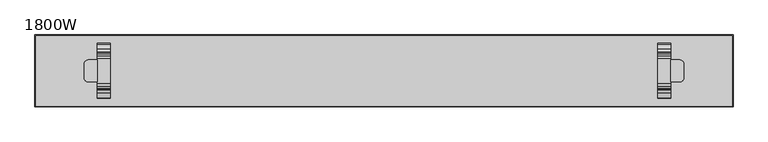
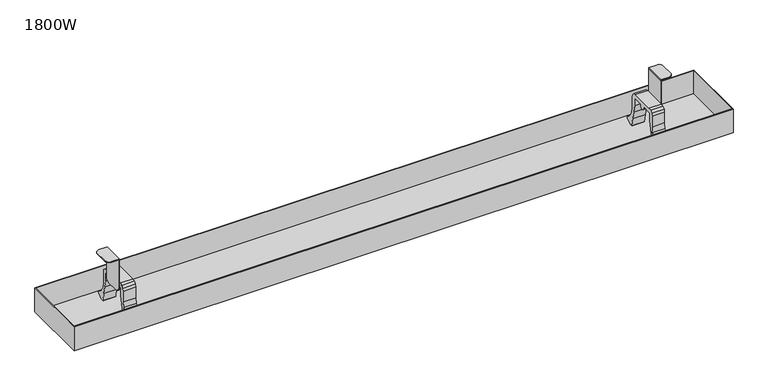
"""IFC4 building model written with IfcOpenShell, lengths in millimetres: furniture geometry, 1800W."""

import ifcopenshell
import ifcopenshell.guid

model = None  # the IFC model being written
_history = None  # IfcOwnerHistory: only IFC2X3 demands one
_inside = {}  # id of a spatial element -> (the spatial element, [elements in it])
_under = {}  # id of a project, library or spatial element -> (it, [spatial elements below it])
_declared = {}  # id of a project -> (the project, [libraries it declares])
_typed = {}  # id of a type object -> (the type object, [elements of that type])
_made_of = {}  # id of a material, layer set ... -> (it, [elements and type objects made of it])


def new_model(schema):
    """Start an empty IFC model of exactly this schema.

    Asked for "IFC4X3", IfcOpenShell would pick the latest addendum, in which some entities
    have other attributes; the version numbers below select the first issue.
    IFC2X3 requires an IfcOwnerHistory on every rooted entity: one is made here for all.
    """
    global model, _history
    if schema == "IFC4X3":
        model = ifcopenshell.file(schema_version=(4, 3, 0, 0))
    else:
        model = ifcopenshell.file(schema=schema)
    _inside.clear()
    _under.clear()
    _declared.clear()
    _typed.clear()
    _made_of.clear()
    _history = None
    if model.schema == "IFC2X3":
        org = make("IfcOrganization", Name="unknown")
        user = make(
            "IfcPersonAndOrganization",
            ThePerson=make("IfcPerson", FamilyName="unknown"),
            TheOrganization=org,
        )
        app = make(
            "IfcApplication",
            ApplicationDeveloper=org,
            Version="unknown",
            ApplicationFullName="unknown",
            ApplicationIdentifier="unknown",
        )
        _history = make(
            "IfcOwnerHistory",
            OwningUser=user,
            OwningApplication=app,
            ChangeAction="ADDED",
            CreationDate=0,
        )
    return model


def make(cls, **values):
    """One entity of the class cls with the attributes given. An attribute that is None is left unset."""
    return model.create_entity(
        cls, **{name: value for name, value in values.items() if value is not None}
    )


def rooted(cls, **values):
    """An entity with a GlobalId (a new one), such as an element, a storey or a relation."""
    return make(cls, GlobalId=ifcopenshell.guid.new(), OwnerHistory=_history, **values)


def si_unit(unit_type, name, prefix=None):
    """IfcSIUnit, for example si_unit("LENGTHUNIT", "METRE", prefix="MILLI")."""
    return make("IfcSIUnit", UnitType=unit_type, Prefix=prefix, Name=name)


def assignment(units):
    """IfcUnitAssignment: the units of a project."""
    return None if units is None else make("IfcUnitAssignment", Units=units)


def point(xyz):
    """IfcCartesianPoint."""
    return None if xyz is None else make("IfcCartesianPoint", Coordinates=xyz)


def direction(xyz):
    """IfcDirection."""
    return None if xyz is None else make("IfcDirection", DirectionRatios=xyz)


def frame(location, z_axis=None, x_axis=None):
    """IfcAxis2Placement3D, a coordinate frame: its origin and axes. An axis left out is left unset."""
    return make(
        "IfcAxis2Placement3D",
        Location=point(location),
        Axis=direction(z_axis),
        RefDirection=direction(x_axis),
    )


def frame_2d(location, x_axis=None):
    """IfcAxis2Placement2D, a coordinate frame in the plane: its origin and x axis."""
    return make(
        "IfcAxis2Placement2D", Location=point(location), RefDirection=direction(x_axis)
    )


def origin():
    """The frame at (0, 0, 0) with its axes left unset."""
    return frame((0.0, 0.0, 0.0))


def place(relative_to, where):
    """IfcLocalPlacement: puts the frame where relative to a parent placement (None: the world)."""
    return make(
        "IfcLocalPlacement", PlacementRelTo=relative_to, RelativePlacement=where
    )


def context(
    kind, dimensions, precision=None, world=None, true_north=None, identifier=None
):
    """IfcGeometricRepresentationContext, for example the 3D "Model" context."""
    return make(
        "IfcGeometricRepresentationContext",
        ContextIdentifier=identifier,
        ContextType=kind,
        CoordinateSpaceDimension=dimensions,
        Precision=precision,
        WorldCoordinateSystem=world,
        TrueNorth=true_north,
    )


def project(units=None, contexts=None):
    """IfcProject with its units and contexts."""
    return rooted(
        "IfcProject",
        Name="project",
        RepresentationContexts=contexts,
        UnitsInContext=assignment(units),
    )


def spatial(cls, under=None, at=None, **own):
    """A site, building, storey or space (cls), placed at a placement, below another one or the project."""
    s = rooted(cls, ObjectPlacement=at, **own)
    if under is not None:
        _under.setdefault(under.id(), (under, []))[1].append(s)
    return s


def polyline(points):
    """IfcPolyline through the points."""
    return make("IfcPolyline", Points=[point(p) for p in points])


def circle_curve(where, radius):
    """IfcCircle in the frame where."""
    return make("IfcCircle", Position=where, Radius=radius)


def trimmed(basis, trim1, trim2, sense, master):
    """IfcTrimmedCurve: the piece of a basis curve between two trims."""
    return make(
        "IfcTrimmedCurve",
        BasisCurve=basis,
        Trim1=trim1,
        Trim2=trim2,
        SenseAgreement=sense,
        MasterRepresentation=master,
    )


def segment(curve, same_sense, transition):
    """IfcCompositeCurveSegment."""
    return make(
        "IfcCompositeCurveSegment",
        Transition=transition,
        SameSense=same_sense,
        ParentCurve=curve,
    )


def composite_curve(segments, self_intersect=None):
    """IfcCompositeCurve: segments joined end to end."""
    return make("IfcCompositeCurve", Segments=segments, SelfIntersect=self_intersect)


def outline(outer, holes=None, kind="AREA"):
    """IfcArbitraryClosedProfileDef: a profile drawn as a closed curve; with holes, ...WithVoids."""
    if holes is None:
        return make("IfcArbitraryClosedProfileDef", ProfileType=kind, OuterCurve=outer)
    return make(
        "IfcArbitraryProfileDefWithVoids",
        ProfileType=kind,
        OuterCurve=outer,
        InnerCurves=holes,
    )


def extrude(swept, where, along, depth):
    """IfcExtrudedAreaSolid: the profile swept, set in the frame where, extruded along a direction by depth."""
    return make(
        "IfcExtrudedAreaSolid",
        SweptArea=swept,
        Position=where,
        ExtrudedDirection=direction(along),
        Depth=depth,
    )


def faces_of(points, faces, orient=None, outer=None):
    """IfcFace entities. A face is a list of loops; a loop is a list of indices into points, from 0.

    orient and outer hold one flag for each loop. By default every Orientation is true, the
    first loop of a face is its IfcFaceOuterBound and the others are IfcFaceBound.
    """
    made = []
    for i, loops in enumerate(faces):
        bounds = []
        for j, loop in enumerate(loops):
            is_outer = j == 0 if outer is None else outer[i][j]
            bounds.append(
                make(
                    "IfcFaceOuterBound" if is_outer else "IfcFaceBound",
                    Bound=make("IfcPolyLoop", Polygon=[points[k] for k in loop]),
                    Orientation=True if orient is None else orient[i][j],
                )
            )
        made.append(make("IfcFace", Bounds=bounds))
    return made


def faceted_brep(points, faces, orient=None, outer=None, voids=None):
    """IfcFacetedBrep: a solid bounded by flat faces; with voids (closed shells), ...WithVoids."""
    shared = [point(p) for p in points]
    hull = make("IfcClosedShell", CfsFaces=faces_of(shared, faces, orient, outer))
    if voids is None:
        return make("IfcFacetedBrep", Outer=hull)
    return make(
        "IfcFacetedBrepWithVoids",
        Outer=hull,
        Voids=[
            make(cls, CfsFaces=faces_of(shared, fs, o, b)) for cls, fs, o, b in voids
        ],
    )


def shape(context_of_items, identifier, shape_type, items):
    """IfcShapeRepresentation: the items that make up one representation, for example the "Body"."""
    return make(
        "IfcShapeRepresentation",
        ContextOfItems=context_of_items,
        RepresentationIdentifier=identifier,
        RepresentationType=shape_type,
        Items=items,
    )


def source(mapping_origin, context_of_items, identifier, shape_type, items):
    """IfcRepresentationMap: a shape defined once, which mapped items show again and again."""
    return make(
        "IfcRepresentationMap",
        MappingOrigin=mapping_origin,
        MappedRepresentation=shape(context_of_items, identifier, shape_type, items),
    )


def transform(
    local_origin,
    x_axis=None,
    y_axis=None,
    z_axis=None,
    scale=None,
    scale2=None,
    scale3=None,
    uniform=True,
):
    """IfcCartesianTransformationOperator3D, or its non-uniform kind. x_axis, y_axis, z_axis: its Axis1, 2, 3."""
    if uniform:
        return make(
            "IfcCartesianTransformationOperator3D",
            Axis1=direction(x_axis),
            Axis2=direction(y_axis),
            LocalOrigin=point(local_origin),
            Scale=scale,
            Axis3=direction(z_axis),
        )
    return make(
        "IfcCartesianTransformationOperator3DnonUniform",
        Axis1=direction(x_axis),
        Axis2=direction(y_axis),
        LocalOrigin=point(local_origin),
        Scale=scale,
        Axis3=direction(z_axis),
        Scale2=scale2,
        Scale3=scale3,
    )


def mapped(mapping_source, mapping_target):
    """IfcMappedItem: shows the shape of a source again, moved by a transform."""
    return make(
        "IfcMappedItem", MappingSource=mapping_source, MappingTarget=mapping_target
    )


def made_of(thing, what):
    """Note that an element or type object is made of a material, layer set ...; save() writes the relation."""
    if what is not None:
        _made_of.setdefault(what.id(), (what, []))[1].append(thing)
    return thing


def element(
    cls,
    number,
    at=None,
    inside=None,
    cuts=None,
    type_object=None,
    material=None,
    context=None,
    identifier="Body",
    shape_type=None,
    held_by="IfcProductDefinitionShape",
    body=None,
    shapes=None,
    **own,
):
    """One element of the class cls, such as IfcWall. Its Tag is "e" and its number.

    at: its placement. inside: the storey or other place that contains it. cuts: it is an
    opening in that element (IfcRelVoidsElement). A single representation is given by context,
    identifier, shape_type and body (its items); several are given by shapes. held_by: the class
    of the entity that holds the representations. save() writes the other relations.
    """
    e = rooted(cls, Tag="e%d" % number, ObjectPlacement=at, **own)
    if body is not None:
        shapes = [shape(context, identifier, shape_type, body)]
    if shapes is not None:
        e.Representation = make(held_by, Representations=shapes)
    if inside is not None:
        _inside.setdefault(inside.id(), (inside, []))[1].append(e)
    if cuts is not None:
        rooted(
            "IfcRelVoidsElement", RelatingBuildingElement=cuts, RelatedOpeningElement=e
        )
    if type_object is not None:
        _typed.setdefault(type_object.id(), (type_object, []))[1].append(e)
    return made_of(e, material)


def aggregate(whole, parts):
    """IfcRelAggregates: a whole, such as a stair, and the parts it consists of."""
    return rooted("IfcRelAggregates", RelatingObject=whole, RelatedObjects=parts)


def save(model, path):
    """Write the relations noted so far, then the file.

    IfcRelAggregates (storeys below a building ...), IfcRelContainedInSpatialStructure (elements
    in a storey), IfcRelDefinesByType, IfcRelAssociatesMaterial and IfcRelDeclares: one each for
    every whole, place, type object, material and project.
    """
    for whole, parts in _under.values():
        aggregate(whole, parts)
    for where, things in _inside.values():
        rooted(
            "IfcRelContainedInSpatialStructure",
            RelatedElements=things,
            RelatingStructure=where,
        )
    for kind, things in _typed.values():
        rooted("IfcRelDefinesByType", RelatedObjects=things, RelatingType=kind)
    for what, things in _made_of.values():
        rooted("IfcRelAssociatesMaterial", RelatedObjects=things, RelatingMaterial=what)
    for by, libraries in _declared.values():
        rooted("IfcRelDeclares", RelatingContext=by, RelatedDefinitions=libraries)
    model.write(path)


def plane_surface(at):
    """IfcPlane: the flat surface through the origin of the frame at, square to its z axis."""
    return make("IfcPlane", Position=at)


def cylinder_surface(at, radius):
    """IfcCylindricalSurface: all points at the distance radius from the z axis of the frame at."""
    return make("IfcCylindricalSurface", Position=at, Radius=radius)


def advanced_brep(points, edges, surfaces, faces):
    """IfcAdvancedBrep: a solid bounded by faces that lie on surfaces and meet in shared edges.

    An edge is (start, end): straight between two places in points (the first is 0);
    or (start, end, curve); or (start, end, curve, False) where it runs against its curve.
    A face is (place in surfaces, loops), or (place, loops, False) where it looks against
    its surface's normal. A loop lists edges by number (the first is 1), with a minus sign
    where the edge is run from its end to its start. The first loop is the outer one.
    """
    corners = [point(p) for p in points]
    vertices = [make("IfcVertexPoint", VertexGeometry=c) for c in corners]
    made = []
    for start, end, *more in edges:
        made.append(
            make(
                "IfcEdgeCurve",
                EdgeStart=vertices[start],
                EdgeEnd=vertices[end],
                EdgeGeometry=more[0] if more else make("IfcPolyline", Points=[corners[start], corners[end]]),
                SameSense=more[1] if len(more) > 1 else True,
            )
        )
    hull = []
    for where, loops, *sense in faces:
        bounds = []
        for j, loop in enumerate(loops):
            ring = [make("IfcOrientedEdge", EdgeElement=made[abs(k) - 1], Orientation=k > 0) for k in loop]
            bounds.append(
                make(
                    "IfcFaceOuterBound" if j == 0 else "IfcFaceBound",
                    Bound=make("IfcEdgeLoop", EdgeList=ring),
                    Orientation=True,
                )
            )
        hull.append(make("IfcAdvancedFace", Bounds=bounds, FaceSurface=surfaces[where], SameSense=sense[0] if sense else True))
    return make("IfcAdvancedBrep", Outer=make("IfcClosedShell", CfsFaces=hull))


def furniture_1800w_5940678c(model_context):
    return source(origin(), model_context, "Body", "SolidModel", [
        extrude(outline(composite_curve([segment(polyline([(28.25, 655.6089449), (34.75, 653.8672752), (39.5083302, 649.1089449), (41.25, 642.6089449), (41.25, 615.6089449), (42.9555126, 601.8121279), (49.9457921, 589.7956007), (61.0960118, 581.4929784), (62.5288578, 580.072514), (62.737976, 578.0657663), (61.6287805, 576.3804021), (49.988664, 567.6162242), (49.988664, 564.2297166), (51.9354374, 563.6484872), (53.2695938, 561.9968693), (53.406724, 559.8781409), (52.2966018, 558.0683222), (42.3770369, 549.4873279)]), True, "CONTINUOUS"), segment(trimmed(circle_curve(frame_2d((41.6448692, 550.1324462)), 0.9758316), [point((42.3770369, 549.4873279))], [point((40.6690514, 550.1272622))], False, "CARTESIAN"), True, "CONTINUOUS"), segment(polyline([(40.6690514, 550.1272622), (40.6597451, 551.8790344), (40.8692786, 553.618255), (41.2943712, 555.3176928), (41.9578918, 557.08863), (42.988664, 559.1689888), (42.988664, 567.673425), (39.9005757, 587.3273398), (36.0103541, 606.457322), (31.25, 625.5024109), (31.25, 642.6089449), (30.8480762, 644.1089449), (29.75, 645.2070212), (28.25, 645.6089449), (5.75, 645.6089449), (5.75, 640.6089449), (4.6518477, 637.2291797), (1.7768477, 635.14037), (-1.7768477, 635.14037), (-4.6518477, 637.2291797), (-5.75, 640.6089449), (-5.75, 645.6089449), (-28.25, 645.6089449), (-29.75, 645.2070212), (-30.8480762, 644.1089449), (-31.25, 642.6089449), (-31.25, 625.5024109), (-36.0103541, 606.457322), (-39.9005757, 587.3273398), (-42.988664, 567.673425), (-42.988664, 559.1689888), (-41.9578918, 557.08863), (-41.2943712, 555.3176928), (-40.8692786, 553.618255), (-40.6597451, 551.8790344), (-40.6690514, 550.1272622)]), True, "CONTINUOUS"), segment(trimmed(circle_curve(frame_2d((-41.6448692, 550.1324462)), 0.9758316), [point((-40.6690514, 550.1272622))], [point((-42.3770369, 549.4873279))], False, "CARTESIAN"), True, "CONTINUOUS"), segment(polyline([(-42.3770369, 549.4873279), (-52.2966018, 558.0683222), (-53.406724, 559.8781409), (-53.2695938, 561.9968693), (-51.9354374, 563.6484872), (-49.988664, 564.2297166), (-49.988664, 567.6162242), (-61.6287805, 576.3804021), (-62.737976, 578.0657663), (-62.5288578, 580.072514), (-61.0960118, 581.4929784), (-49.9457921, 589.7956007), (-42.9555126, 601.8121279), (-41.25, 615.6089449), (-41.25, 642.6089449), (-39.5083302, 649.1089449), (-34.75, 653.8672752), (-28.25, 655.6089449), (28.25, 655.6089449)]), True, "CONTINUOUS")], self_intersect=False)), frame((623.0, 0.0, 0.0), z_axis=(1.0, 0.0, 0.0), x_axis=(0.0, 1.0, 0.0)), (0.0, 0.0, 1.0), 30.0),
        extrude(outline(composite_curve([segment(polyline([(28.25, 655.6089449), (34.75, 653.8672752), (39.5083302, 649.1089449), (41.25, 642.6089449), (41.25, 615.6089449), (42.9555126, 601.8121279), (49.9457921, 589.7956007), (61.0960118, 581.4929784), (62.5288578, 580.072514), (62.737976, 578.0657663), (61.6287805, 576.3804021), (49.988664, 567.6162242), (49.988664, 564.2297166), (51.9354374, 563.6484872), (53.2695938, 561.9968693), (53.406724, 559.8781409), (52.2966018, 558.0683222), (42.3770369, 549.4873279)]), True, "CONTINUOUS"), segment(trimmed(circle_curve(frame_2d((41.6448692, 550.1324462)), 0.9758316), [point((42.3770369, 549.4873279))], [point((40.6690514, 550.1272622))], False, "CARTESIAN"), True, "CONTINUOUS"), segment(polyline([(40.6690514, 550.1272622), (40.6597451, 551.8790344), (40.8692786, 553.618255), (41.2943712, 555.3176928), (41.9578918, 557.08863), (42.988664, 559.1689888), (42.988664, 567.673425), (39.9005757, 587.3273398), (36.0103541, 606.457322), (31.25, 625.5024109), (31.25, 642.6089449), (30.8480762, 644.1089449), (29.75, 645.2070212), (28.25, 645.6089449), (5.75, 645.6089449), (5.75, 640.6089449), (4.6518477, 637.2291797), (1.7768477, 635.14037), (-1.7768477, 635.14037), (-4.6518477, 637.2291797), (-5.75, 640.6089449), (-5.75, 645.6089449), (-28.25, 645.6089449), (-29.75, 645.2070212), (-30.8480762, 644.1089449), (-31.25, 642.6089449), (-31.25, 625.5024109), (-36.0103541, 606.457322), (-39.9005757, 587.3273398), (-42.988664, 567.673425), (-42.988664, 559.1689888), (-41.9578918, 557.08863), (-41.2943712, 555.3176928), (-40.8692786, 553.618255), (-40.6597451, 551.8790344), (-40.6690514, 550.1272622)]), True, "CONTINUOUS"), segment(trimmed(circle_curve(frame_2d((-41.6448692, 550.1324462)), 0.9758316), [point((-40.6690514, 550.1272622))], [point((-42.3770369, 549.4873279))], False, "CARTESIAN"), True, "CONTINUOUS"), segment(polyline([(-42.3770369, 549.4873279), (-52.2966018, 558.0683222), (-53.406724, 559.8781409), (-53.2695938, 561.9968693), (-51.9354374, 563.6484872), (-49.988664, 564.2297166), (-49.988664, 567.6162242), (-61.6287805, 576.3804021), (-62.737976, 578.0657663), (-62.5288578, 580.072514), (-61.0960118, 581.4929784), (-49.9457921, 589.7956007), (-42.9555126, 601.8121279), (-41.25, 615.6089449), (-41.25, 642.6089449), (-39.5083302, 649.1089449), (-34.75, 653.8672752), (-28.25, 655.6089449), (28.25, 655.6089449)]), True, "CONTINUOUS")], self_intersect=False)), frame((-653.0, 0.0, 0.0), z_axis=(1.0, 0.0, 0.0), x_axis=(0.0, 1.0, 0.0)), (0.0, 0.0, 1.0), 30.0),
        faceted_brep([(793.0, 80.0, 567.0), (-793.0, 80.0, 567.0), (-793.0, -80.0, 567.0), (793.0, -80.0, 567.0), (793.0, 80.0, 626.0), (-793.0, 80.0, 626.0), (-793.0, -80.0, 626.0), (793.0, -80.0, 626.0), (795.0, -82.0, 626.0), (795.0, 82.0, 626.0), (-795.0, 82.0, 626.0), (-795.0, -82.0, 626.0), (795.0, -82.0, 565.0), (-795.0, -82.0, 565.0), (-795.0, 82.0, 565.0), (795.0, 82.0, 565.0)], [[[0, 1, 2, 3]], [[1, 0, 4, 5]], [[2, 1, 5, 6]], [[3, 2, 6, 7]], [[0, 3, 7, 4]], [[8, 9, 10, 11], [5, 4, 7, 6]], [[12, 13, 14, 15]], [[9, 8, 12, 15]], [[10, 9, 15, 14]], [[11, 10, 14, 13]], [[8, 11, 13, 12]]]),
        extrude(outline(composite_curve([segment(trimmed(circle_curve(frame_2d((673.0, 14.9999998)), 10.0), [point((673.0, 24.9999998))], [point((683.0, 14.9999998))], False, "CARTESIAN"), True, "CONTINUOUS"), segment(polyline([(683.0, 14.9999998), (683.0, -15.0000002)]), True, "CONTINUOUS"), segment(trimmed(circle_curve(frame_2d((673.0, -15.0000002)), 10.0), [point((683.0, -15.0000002))], [point((673.0, -25.0000002))], False, "CARTESIAN"), True, "CONTINUOUS"), segment(polyline([(673.0, -25.0000002), (653.0, -25.0000002), (653.0, 24.9999998), (673.0, 24.9999998)]), True, "CONTINUOUS")], self_intersect=False)), frame((0.0, 0.0, 713.6089449), z_axis=(0.0, 0.0, 1.0), x_axis=(1.0, 0.0, 0.0)), (0.0, 0.0, 1.0), 2.0),
        extrude(outline(polyline([(24.9999998, 640.6089449), (23.6602538, 635.6089449), (19.9999998, 631.9486909), (14.9999998, 630.6089449), (-15.0000002, 630.6089449), (-20.0000002, 631.9486909), (-23.6602542, 635.6089449), (-25.0000002, 640.6089449), (-25.0000002, 715.6089449), (24.9999998, 715.6089449), (24.9999998, 640.6089449)])), frame((653.0, 0.0, 0.0), z_axis=(1.0, 0.0, 0.0), x_axis=(0.0, 1.0, 0.0)), (0.0, 0.0, 1.0), 2.0),
        advanced_brep(
        [(-653.0, 24.9999998, 715.6089449), (-673.0, 24.9999998, 715.6089449), (-683.0, 14.9999998, 715.6089449), (-683.0, -15.0000002, 715.6089449), (-673.0, -25.0000002, 715.6089449), (-653.0, -25.0000002, 715.6089449), (-673.0, -25.0000002, 713.6089449), (-683.0, -15.0000002, 713.6089449), (-683.0, 14.9999998, 713.6089449), (-673.0, 24.9999998, 713.6089449), (-655.0, 24.9999998, 713.6089449), (-655.0, -25.0000002, 713.6089449), (-655.0, -25.0000002, 640.6089449), (-653.0, -25.0000002, 640.6089449), (-653.0, -23.6602542, 635.6089449), (-653.0, -20.0000002, 631.9486909), (-653.0, -15.0000002, 630.6089449), (-653.0, 14.9999998, 630.6089449), (-653.0, 19.9999998, 631.9486909), (-653.0, 23.6602538, 635.6089449), (-653.0, 24.9999998, 640.6089449), (-655.0, 24.9999998, 640.6089449), (-655.0, 23.6602538, 635.6089449), (-655.0, 19.9999998, 631.9486909), (-655.0, 14.9999998, 630.6089449), (-655.0, -15.0000002, 630.6089449), (-655.0, -20.0000002, 631.9486909), (-655.0, -23.6602542, 635.6089449)],
        [
            (0, 1),
            (1, 2, circle_curve(frame((-673.0, 14.9999998, 715.6089449), z_axis=(0.0, 0.0, 1.0), x_axis=(1.0, 0.0, 0.0)), 10.0)),
            (2, 3),
            (3, 4, circle_curve(frame((-673.0, -15.0000002, 715.6089449), z_axis=(0.0, 0.0, 1.0), x_axis=(1.0, 0.0, 0.0)), 10.0)),
            (4, 5),
            (5, 0),
            (6, 7, circle_curve(frame((-673.0, -15.0000002, 713.6089449), z_axis=(0.0, 0.0, -1.0), x_axis=(1.0, 0.0, 0.0)), 10.0)),
            (7, 8),
            (8, 9, circle_curve(frame((-673.0, 14.9999998, 713.6089449), z_axis=(0.0, 0.0, -1.0), x_axis=(1.0, 0.0, 0.0)), 10.0)),
            (9, 10),
            (10, 11),
            (11, 6),
            (2, 8),
            (7, 3),
            (4, 6),
            (11, 12),
            (12, 13),
            (13, 5),
            (13, 14),
            (14, 15),
            (15, 16),
            (16, 17),
            (17, 18),
            (18, 19),
            (19, 20),
            (20, 0),
            (20, 21),
            (21, 10),
            (9, 1),
            (21, 22),
            (22, 23),
            (23, 24),
            (24, 25),
            (25, 26),
            (26, 27),
            (27, 12),
            (27, 14),
            (26, 15),
            (25, 16),
            (24, 17),
            (23, 18),
            (22, 19),
        ],
        [
            plane_surface(frame((-663.0, 14.9999998, 715.6089449), z_axis=(0.0, 0.0, 1.0), x_axis=(0.0, 1.0, 0.0))),
            plane_surface(frame((-663.0, 14.9999998, 713.6089449), z_axis=(0.0, 0.0, -1.0), x_axis=(0.0, -1.0, 0.0))),
            plane_surface(frame((-683.0, 14.9999998, 715.6089449), z_axis=(-1.0, 0.0, 0.0), x_axis=(0.0, 0.0, -1.0))),
            plane_surface(frame((-673.0, -25.0000002, 715.6089449), z_axis=(0.0, -1.0, 0.0), x_axis=(0.0, 0.0, -1.0))),
            plane_surface(frame((-653.0, -25.0000002, 715.6089449), z_axis=(1.0, 0.0, 0.0), x_axis=(0.0, 0.0, -1.0))),
            plane_surface(frame((-653.0, 24.9999998, 715.6089449), z_axis=(0.0, 1.0, 0.0), x_axis=(0.0, 0.0, -1.0))),
            plane_surface(frame((-655.0, 24.9999998, 715.6089449), z_axis=(-1.0, 0.0, 0.0), x_axis=(0.0, 0.0, -1.0))),
            plane_surface(frame((-653.0, -25.0000002, 640.6089449), z_axis=(0.0, -0.9659258262890794, -0.25881904510247955), x_axis=(-1.0, 0.0, 0.0))),
            plane_surface(frame((-653.0, -23.6602542, 635.6089449), z_axis=(0.0, -0.7071067811865787, -0.7071067811865165), x_axis=(-1.0, 0.0, 0.0))),
            plane_surface(frame((-653.0, -20.0000002, 631.9486909), z_axis=(0.0, -0.2588190451025777, -0.9659258262890531), x_axis=(-1.0, 0.0, 0.0))),
            plane_surface(frame((-653.0, -15.0000002, 630.6089449), z_axis=(0.0, 0.0, -1.0), x_axis=(-1.0, 0.0, 0.0))),
            plane_surface(frame((-653.0, 14.9999998, 630.6089449), z_axis=(0.0, 0.2588190451024751, -0.9659258262890805), x_axis=(-1.0, 0.0, 0.0))),
            plane_surface(frame((-653.0, 19.9999998, 631.9486909), z_axis=(0.0, 0.7071067811865112, -0.7071067811865839), x_axis=(-1.0, 0.0, 0.0))),
            plane_surface(frame((-653.0, 23.6602538, 635.6089449), z_axis=(0.0, 0.9659258262890469, -0.2588190451026009), x_axis=(-1.0, 0.0, 0.0))),
            cylinder_surface(frame((-673.0, 14.9999998, 713.6089449), z_axis=(0.0, 0.0, 1.0), x_axis=(1.0, 0.0, 0.0)), 10.0),
            cylinder_surface(frame((-673.0, -15.0000002, 713.6089449), z_axis=(0.0, 0.0, 1.0), x_axis=(1.0, 0.0, 0.0)), 10.0),
        ],
        [
            (0, [[1, 2, 3, 4, 5, 6]]),
            (1, [[7, 8, 9, 10, 11, 12]]),
            (2, [[-3, 13, -8, 14]]),
            (3, [[15, -12, 16, 17, 18, -5]]),
            (4, [[-6, -18, 19, 20, 21, 22, 23, 24, 25, 26]]),
            (5, [[-26, 27, 28, -10, 29, -1]]),
            (6, [[30, 31, 32, 33, 34, 35, 36, -16, -11, -28]]),
            (7, [[-19, -17, -36, 37]]),
            (8, [[-20, -37, -35, 38]]),
            (9, [[-21, -38, -34, 39]]),
            (10, [[-22, -39, -33, 40]]),
            (11, [[-23, -40, -32, 41]]),
            (12, [[-24, -41, -31, 42]]),
            (13, [[-25, -42, -30, -27]]),
            (14, [[-2, -29, -9, -13]]),
            (15, [[-4, -14, -7, -15]]),
        ],
    ),
    ])


if __name__ == "__main__":
    model = new_model("IFC4")
    model_context = context("Model", 3, world=origin())
    ifc_project = project(units=[si_unit("LENGTHUNIT", "METRE", prefix="MILLI")], contexts=[model_context])
    site = spatial("IfcSite", under=ifc_project)
    building = spatial("IfcBuilding", under=site)
    placement = place(None, origin())
    furniture_1800w_shape = furniture_1800w_5940678c(model_context)
    element("IfcFurniture", 1, ObjectType="1800W", at=placement, inside=building, context=model_context, shape_type="MappedRepresentation", body=[
        mapped(furniture_1800w_shape, transform((0.0, 0.0, 0.0), x_axis=(1.0, 0.0, 0.0), y_axis=(0.0, 1.0, 0.0), z_axis=(0.0, 0.0, 1.0))),
    ])
    save(model, "model.ifc")
